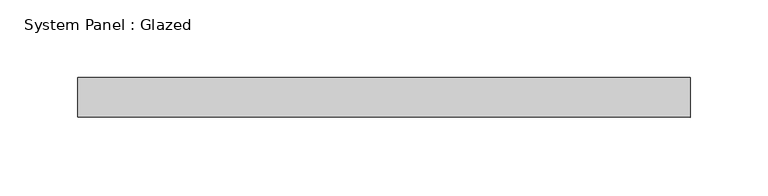
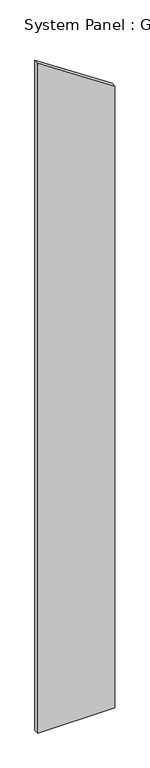
"""IFC4 building model written with IfcOpenShell, lengths in millimetres: plate geometry, System Panel : Glazed."""

from ifc_helpers import new_model, si_unit, frame, origin, place, context, project, spatial, polyline, outline, extrude, source, transform, mapped, element, save


def system_panel_glazed_75be84b4(model_context):
    return source(origin(), model_context, "Body", "SweptSolid", [
        extrude(outline(polyline([(0.0, -196.4684817), (0.0, 196.4684817), (3348.554875, 196.4684817), (3608.975813, -196.4684817), (0.0, -196.4684817)])), frame((0.0, 19.05, 0.0), z_axis=(0.0, 1.0, 0.0), x_axis=(0.0, 0.0, 1.0)), (0.0, 0.0, 1.0), 25.4),
    ])


if __name__ == "__main__":
    model = new_model("IFC4")
    model_context = context("Model", 3, world=origin())
    ifc_project = project(units=[si_unit("LENGTHUNIT", "METRE", prefix="MILLI")], contexts=[model_context])
    site = spatial("IfcSite", under=ifc_project)
    building = spatial("IfcBuilding", under=site)
    placement = place(None, origin())
    system_panel_glazed_shape = system_panel_glazed_75be84b4(model_context)
    element("IfcPlate", 1, ObjectType="System Panel : Glazed", at=placement, inside=building, context=model_context, shape_type="MappedRepresentation", body=[
        mapped(system_panel_glazed_shape, transform((0.0, 0.0, 0.0), x_axis=(1.0, 0.0, 0.0), y_axis=(0.0, 1.0, 0.0), z_axis=(0.0, 0.0, 1.0))),
    ])
    save(model, "model.ifc")
